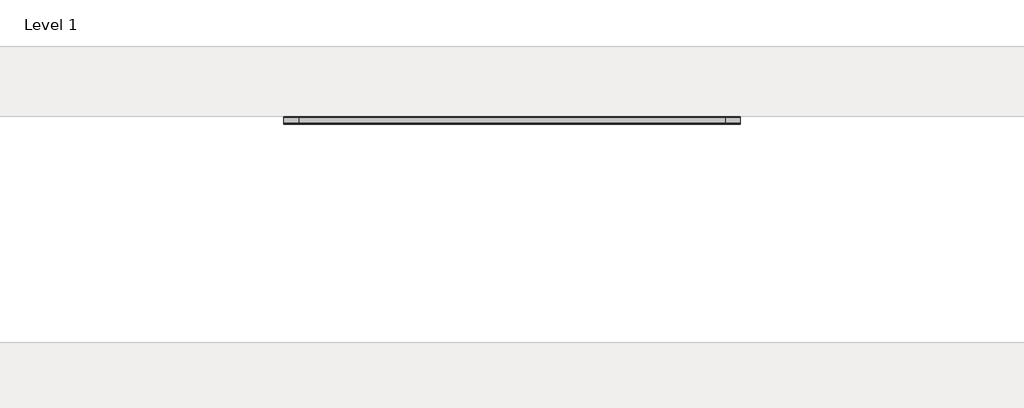
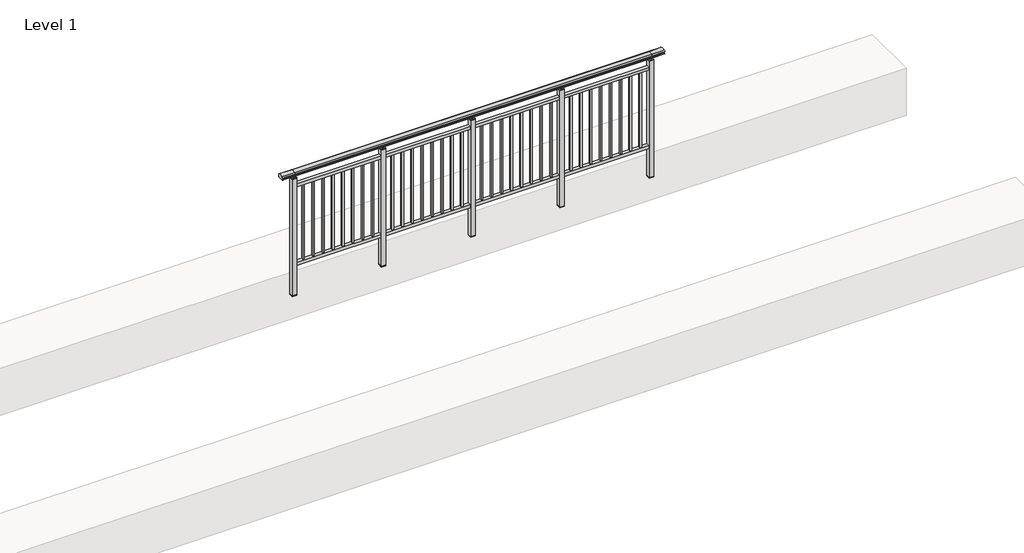
# One storey, part 21 of 64: 1 railing.
"""IFC4 building model written with IfcOpenShell, lengths in millimetres."""

from ifc_helpers import new_model, si_unit, frame, origin, place, context, project, spatial, polyline, circle_curve, outline, extrude, element, save
from ifc_brep_helpers import plane_surface, cylinder_surface, revolved_surface, advanced_brep

model = new_model("IFC4")

# Units and contexts
model_context = context("Model", 3, world=origin())
ifc_project = project(units=[si_unit("LENGTHUNIT", "METRE", prefix="MILLI")], contexts=[model_context])

# Site, building, storey
site = spatial("IfcSite", under=ifc_project)
building = spatial("IfcBuilding", under=site)
storey = spatial("IfcBuildingStorey", under=building, Name="Level 1", Elevation=0.0)

# Railing
placement = place(None, origin())
element("IfcRailing", 1, at=placement, inside=storey, context=model_context, shape_type="SolidModel", body=[
    advanced_brep(
    [(19372.5, 7392.8633756, 1095.6691182), (19372.5, 7397.6846828, 1081.1334092), (19372.5, 7396.7413744, 1069.2539035), (19372.5, 7398.6364177, 1061.4863007), (19372.5, 7396.9894799, 1060.384124), (19372.5, 7396.9894799, 1062.0), (19372.5, 7338.3798858, 1062.0), (19372.5, 7338.3798858, 1060.384124), (19372.5, 7336.732948, 1061.4863007), (19372.5, 7338.6279912, 1069.2539035), (19372.5, 7337.6846828, 1081.1334092), (19372.5, 7342.50599, 1095.6691182), (23227.5, 7392.8633756, 1095.6691182), (23227.5, 7342.50599, 1095.6691182), (23227.5, 7337.6846828, 1081.1334092), (23227.5, 7338.6279912, 1069.2539035), (23227.5, 7336.732948, 1061.4863007), (23227.5, 7338.3798858, 1060.384124), (23227.5, 7338.3798858, 1062.0), (23227.5, 7396.9894799, 1062.0), (23227.5, 7396.9894799, 1060.384124), (23227.5, 7398.6364177, 1061.4863007), (23227.5, 7396.7413744, 1069.2539035), (23227.5, 7397.6846828, 1081.1334092), (19500.0, 7392.8633756, 1095.6691182), (19500.0, 7397.6846828, 1081.1334092), (19500.0, 7396.7413744, 1069.2539035), (19500.0, 7398.6364177, 1061.4863007), (19500.0, 7396.9894799, 1060.384124), (19500.0, 7396.9894799, 1062.0), (19500.0, 7338.3798858, 1062.0), (19500.0, 7338.3798858, 1060.384124), (19500.0, 7336.732948, 1061.4863007), (19500.0, 7338.6279912, 1069.2539035), (19500.0, 7337.6846828, 1081.1334092), (19500.0, 7342.50599, 1095.6691182), (23100.0, 7392.8633756, 1095.6691182), (23100.0, 7397.6846828, 1081.1334092), (23100.0, 7396.7413744, 1069.2539035), (23100.0, 7398.6364177, 1061.4863007), (23100.0, 7396.9894799, 1060.384124), (23100.0, 7396.9894799, 1062.0), (23100.0, 7338.3798858, 1062.0), (23100.0, 7338.3798858, 1060.384124), (23100.0, 7336.732948, 1061.4863007), (23100.0, 7338.6279912, 1069.2539035), (23100.0, 7337.6846828, 1081.1334092), (23100.0, 7342.50599, 1095.6691182)],
    [
        (0, 1, circle_curve(frame((19372.5, 7389.6223845, 1086.526686), z_axis=(-1.0, 0.0, 0.0), x_axis=(0.0, -1.0, 0.0)), 9.6999015)),
        (1, 2, circle_curve(frame((19372.5, 7415.2252545, 1073.7633709), z_axis=(1.0, 0.0, 0.0), x_axis=(0.0, -1.0, 0.0)), 19.0260117)),
        (2, 3),
        (3, 4, circle_curve(frame((19372.5, 7397.7772073, 1060.9886194), z_axis=(-1.0, 0.0, 0.0), x_axis=(0.0, -1.0, 0.0)), 0.9929396)),
        (4, 5),
        (5, 6),
        (6, 7),
        (7, 8, circle_curve(frame((19372.5, 7337.5921584, 1060.9886194), z_axis=(-1.0, 0.0, 0.0), x_axis=(0.0, 1.0, 0.0)), 0.9929396)),
        (8, 9),
        (9, 10, circle_curve(frame((19372.5, 7320.1441111, 1073.7633709), z_axis=(1.0, 0.0, 0.0), x_axis=(0.0, 1.0, 0.0)), 19.0260117)),
        (10, 11, circle_curve(frame((19372.5, 7345.7469812, 1086.526686), z_axis=(-1.0, 0.0, 0.0), x_axis=(0.0, 1.0, 0.0)), 9.6999015)),
        (11, 0, circle_curve(frame((19372.5, 7367.6846828, 1024.6431628), z_axis=(-1.0, 0.0, 0.0), x_axis=(0.0, 1.0, 0.0)), 75.3568372)),
        (12, 13, circle_curve(frame((23227.5, 7367.6846828, 1024.6431628), z_axis=(1.0, 0.0, 0.0), x_axis=(0.0, 1.0, 0.0)), 75.3568372)),
        (13, 14, circle_curve(frame((23227.5, 7345.7469812, 1086.526686), z_axis=(1.0, 0.0, 0.0), x_axis=(0.0, 1.0, 0.0)), 9.6999015)),
        (14, 15, circle_curve(frame((23227.5, 7320.1441111, 1073.7633709), z_axis=(-1.0, 0.0, 0.0), x_axis=(0.0, 1.0, 0.0)), 19.0260117)),
        (15, 16),
        (16, 17, circle_curve(frame((23227.5, 7337.5921584, 1060.9886194), z_axis=(1.0, 0.0, 0.0), x_axis=(0.0, 1.0, 0.0)), 0.9929396)),
        (17, 18),
        (18, 19),
        (19, 20),
        (20, 21, circle_curve(frame((23227.5, 7397.7772073, 1060.9886194), z_axis=(1.0, 0.0, 0.0), x_axis=(0.0, -1.0, 0.0)), 0.9929396)),
        (21, 22),
        (22, 23, circle_curve(frame((23227.5, 7415.2252545, 1073.7633709), z_axis=(-1.0, 0.0, 0.0), x_axis=(0.0, -1.0, 0.0)), 19.0260117)),
        (23, 12, circle_curve(frame((23227.5, 7389.6223845, 1086.526686), z_axis=(1.0, 0.0, 0.0), x_axis=(0.0, -1.0, 0.0)), 9.6999015)),
        (0, 24),
        (24, 25, circle_curve(frame((19500.0, 7389.6223845, 1086.526686), z_axis=(-1.0, 0.0, 0.0), x_axis=(0.0, -1.0, 0.0)), 9.6999015)),
        (25, 1),
        (25, 26, circle_curve(frame((19500.0, 7415.2252545, 1073.7633709), z_axis=(1.0, 0.0, 0.0), x_axis=(0.0, -1.0, 0.0)), 19.0260117)),
        (26, 2),
        (26, 27),
        (27, 3),
        (27, 28, circle_curve(frame((19500.0, 7397.7772073, 1060.9886194), z_axis=(-1.0, 0.0, 0.0), x_axis=(0.0, -1.0, 0.0)), 0.9929396)),
        (28, 4),
        (28, 29),
        (29, 5),
        (29, 30),
        (30, 6),
        (30, 31),
        (31, 7),
        (31, 32, circle_curve(frame((19500.0, 7337.5921584, 1060.9886194), z_axis=(-1.0, 0.0, 0.0), x_axis=(0.0, 1.0, 0.0)), 0.9929396)),
        (32, 8),
        (32, 33),
        (33, 9),
        (33, 34, circle_curve(frame((19500.0, 7320.1441111, 1073.7633709), z_axis=(1.0, 0.0, 0.0), x_axis=(0.0, 1.0, 0.0)), 19.0260117)),
        (34, 10),
        (34, 35, circle_curve(frame((19500.0, 7345.7469812, 1086.526686), z_axis=(-1.0, 0.0, 0.0), x_axis=(0.0, 1.0, 0.0)), 9.6999015)),
        (35, 11),
        (35, 24, circle_curve(frame((19500.0, 7367.6846828, 1024.6431628), z_axis=(-1.0, 0.0, 0.0), x_axis=(0.0, 1.0, 0.0)), 75.3568372)),
        (24, 36),
        (36, 37, circle_curve(frame((23100.0, 7389.6223845, 1086.526686), z_axis=(-1.0, 0.0, 0.0), x_axis=(0.0, -1.0, 0.0)), 9.6999015)),
        (37, 25),
        (37, 38, circle_curve(frame((23100.0, 7415.2252545, 1073.7633709), z_axis=(1.0, 0.0, 0.0), x_axis=(0.0, -1.0, 0.0)), 19.0260117)),
        (38, 26),
        (38, 39),
        (39, 27),
        (39, 40, circle_curve(frame((23100.0, 7397.7772073, 1060.9886194), z_axis=(-1.0, 0.0, 0.0), x_axis=(0.0, -1.0, 0.0)), 0.9929396)),
        (40, 28),
        (40, 41),
        (41, 29),
        (41, 42),
        (42, 30),
        (42, 43),
        (43, 31),
        (43, 44, circle_curve(frame((23100.0, 7337.5921584, 1060.9886194), z_axis=(-1.0, 0.0, 0.0), x_axis=(0.0, 1.0, 0.0)), 0.9929396)),
        (44, 32),
        (44, 45),
        (45, 33),
        (45, 46, circle_curve(frame((23100.0, 7320.1441111, 1073.7633709), z_axis=(1.0, 0.0, 0.0), x_axis=(0.0, 1.0, 0.0)), 19.0260117)),
        (46, 34),
        (46, 47, circle_curve(frame((23100.0, 7345.7469812, 1086.526686), z_axis=(-1.0, 0.0, 0.0), x_axis=(0.0, 1.0, 0.0)), 9.6999015)),
        (47, 35),
        (47, 36, circle_curve(frame((23100.0, 7367.6846828, 1024.6431628), z_axis=(-1.0, 0.0, 0.0), x_axis=(0.0, 1.0, 0.0)), 75.3568372)),
        (36, 12),
        (23, 37),
        (22, 38),
        (21, 39),
        (20, 40),
        (19, 41),
        (18, 42),
        (17, 43),
        (16, 44),
        (15, 45),
        (14, 46),
        (13, 47),
    ],
    [
        plane_surface(frame((19372.5, 7367.6846828, 1100.0), z_axis=(-1.0, 0.0, 0.0), x_axis=(0.0, 1.0, 0.0))),
        plane_surface(frame((23227.5, 7367.6846828, 1100.0), z_axis=(1.0, 0.0, 0.0), x_axis=(0.0, 1.0, 0.0))),
        cylinder_surface(frame((19372.5, 7389.6223845, 1086.526686), z_axis=(-1.0, 0.0, 0.0), x_axis=(0.0, -1.0, 0.0)), 9.6999015),
        revolved_surface(polyline([(19500.0, 7396.1992428, 1073.7633709), (19372.5, 7396.1992428, 1073.7633709)]), (19372.5, 7415.2252545, 1073.7633709), (1.0, 0.0, 0.0)),
        plane_surface(frame((19372.5, 7396.7413744, 1069.2539035), z_axis=(0.0, 0.9715057689301543, 0.2370159086125439), x_axis=(1.0, 0.0, 0.0))),
        cylinder_surface(frame((19372.5, 7397.7772073, 1060.9886194), z_axis=(-1.0, 0.0, 0.0), x_axis=(0.0, -1.0, 0.0)), 0.9929396),
        plane_surface(frame((19372.5, 7396.9894799, 1060.384124), z_axis=(0.0, -1.0, 0.0), x_axis=(1.0, 0.0, 0.0))),
        plane_surface(frame((19372.5, 7396.9894799, 1062.0), z_axis=(0.0, 0.0, -1.0), x_axis=(1.0, 0.0, 0.0))),
        plane_surface(frame((19372.5, 7338.3798858, 1062.0), z_axis=(0.0, 1.0, 0.0), x_axis=(1.0, 0.0, 0.0))),
        cylinder_surface(frame((19372.5, 7337.5921584, 1060.9886194), z_axis=(-1.0, 0.0, 0.0), x_axis=(0.0, 1.0, 0.0)), 0.9929396),
        plane_surface(frame((19372.5, 7336.732948, 1061.4863007), z_axis=(0.0, -0.9715057689301543, 0.2370159086125439), x_axis=(1.0, 0.0, 0.0))),
        revolved_surface(polyline([(19500.0, 7339.1701228, 1073.7633709), (19372.5, 7339.1701228, 1073.7633709)]), (19372.5, 7320.1441111, 1073.7633709), (1.0, 0.0, 0.0)),
        cylinder_surface(frame((19372.5, 7345.7469812, 1086.526686), z_axis=(-1.0, 0.0, 0.0), x_axis=(0.0, 1.0, 0.0)), 9.6999015),
        cylinder_surface(frame((19372.5, 7367.6846828, 1024.6431628), z_axis=(-1.0, 0.0, 0.0), x_axis=(0.0, 1.0, 0.0)), 75.3568372),
        cylinder_surface(frame((19500.0, 7389.6223845, 1086.526686), z_axis=(-1.0, 0.0, 0.0), x_axis=(0.0, -1.0, 0.0)), 9.6999015),
        revolved_surface(polyline([(23100.0, 7396.1992428, 1073.7633709), (19500.0, 7396.1992428, 1073.7633709)]), (19500.0, 7415.2252545, 1073.7633709), (1.0, 0.0, 0.0)),
        plane_surface(frame((19500.0, 7396.7413744, 1069.2539035), z_axis=(0.0, 0.9715057689301543, 0.2370159086125439), x_axis=(1.0, 0.0, 0.0))),
        cylinder_surface(frame((19500.0, 7397.7772073, 1060.9886194), z_axis=(-1.0, 0.0, 0.0), x_axis=(0.0, -1.0, 0.0)), 0.9929396),
        plane_surface(frame((19500.0, 7396.9894799, 1060.384124), z_axis=(0.0, -1.0, 0.0), x_axis=(1.0, 0.0, 0.0))),
        plane_surface(frame((19500.0, 7396.9894799, 1062.0), z_axis=(0.0, 0.0, -1.0), x_axis=(1.0, 0.0, 0.0))),
        plane_surface(frame((19500.0, 7338.3798858, 1062.0), z_axis=(0.0, 1.0, 0.0), x_axis=(1.0, 0.0, 0.0))),
        cylinder_surface(frame((19500.0, 7337.5921584, 1060.9886194), z_axis=(-1.0, 0.0, 0.0), x_axis=(0.0, 1.0, 0.0)), 0.9929396),
        plane_surface(frame((19500.0, 7336.732948, 1061.4863007), z_axis=(0.0, -0.9715057689301543, 0.2370159086125439), x_axis=(1.0, 0.0, 0.0))),
        revolved_surface(polyline([(23100.0, 7339.1701228, 1073.7633709), (19500.0, 7339.1701228, 1073.7633709)]), (19500.0, 7320.1441111, 1073.7633709), (1.0, 0.0, 0.0)),
        cylinder_surface(frame((19500.0, 7345.7469812, 1086.526686), z_axis=(-1.0, 0.0, 0.0), x_axis=(0.0, 1.0, 0.0)), 9.6999015),
        cylinder_surface(frame((19500.0, 7367.6846828, 1024.6431628), z_axis=(-1.0, 0.0, 0.0), x_axis=(0.0, 1.0, 0.0)), 75.3568372),
        cylinder_surface(frame((23100.0, 7389.6223845, 1086.526686), z_axis=(-1.0, 0.0, 0.0), x_axis=(0.0, -1.0, 0.0)), 9.6999015),
        revolved_surface(polyline([(23227.5, 7396.1992428, 1073.7633709), (23100.0, 7396.1992428, 1073.7633709)]), (23100.0, 7415.2252545, 1073.7633709), (1.0, 0.0, 0.0)),
        plane_surface(frame((23100.0, 7396.7413744, 1069.2539035), z_axis=(0.0, 0.9715057689301543, 0.2370159086125439), x_axis=(1.0, 0.0, 0.0))),
        cylinder_surface(frame((23100.0, 7397.7772073, 1060.9886194), z_axis=(-1.0, 0.0, 0.0), x_axis=(0.0, -1.0, 0.0)), 0.9929396),
        plane_surface(frame((23100.0, 7396.9894799, 1060.384124), z_axis=(0.0, -1.0, 0.0), x_axis=(1.0, 0.0, 0.0))),
        plane_surface(frame((23100.0, 7396.9894799, 1062.0), z_axis=(0.0, 0.0, -1.0), x_axis=(1.0, 0.0, 0.0))),
        plane_surface(frame((23100.0, 7338.3798858, 1062.0), z_axis=(0.0, 1.0, 0.0), x_axis=(1.0, 0.0, 0.0))),
        cylinder_surface(frame((23100.0, 7337.5921584, 1060.9886194), z_axis=(-1.0, 0.0, 0.0), x_axis=(0.0, 1.0, 0.0)), 0.9929396),
        plane_surface(frame((23100.0, 7336.732948, 1061.4863007), z_axis=(0.0, -0.9715057689301543, 0.2370159086125439), x_axis=(1.0, 0.0, 0.0))),
        revolved_surface(polyline([(23227.5, 7339.1701228, 1073.7633709), (23100.0, 7339.1701228, 1073.7633709)]), (23100.0, 7320.1441111, 1073.7633709), (1.0, 0.0, 0.0)),
        cylinder_surface(frame((23100.0, 7345.7469812, 1086.526686), z_axis=(-1.0, 0.0, 0.0), x_axis=(0.0, 1.0, 0.0)), 9.6999015),
        cylinder_surface(frame((23100.0, 7367.6846828, 1024.6431628), z_axis=(-1.0, 0.0, 0.0), x_axis=(0.0, 1.0, 0.0)), 75.3568372),
    ],
    [
        (0, [[1, 2, 3, 4, 5, 6, 7, 8, 9, 10, 11, 12]]),
        (1, [[13, 14, 15, 16, 17, 18, 19, 20, 21, 22, 23, 24]]),
        (2, [[-1, 25, 26, 27]]),
        (3, [[-2, -27, 28, 29]]),
        (4, [[-3, -29, 30, 31]]),
        (5, [[-4, -31, 32, 33]]),
        (6, [[-5, -33, 34, 35]]),
        (7, [[-6, -35, 36, 37]]),
        (8, [[-7, -37, 38, 39]]),
        (9, [[-8, -39, 40, 41]]),
        (10, [[-9, -41, 42, 43]]),
        (11, [[-10, -43, 44, 45]]),
        (12, [[-11, -45, 46, 47]]),
        (13, [[-12, -47, 48, -25]]),
        (14, [[-26, 49, 50, 51]]),
        (15, [[-28, -51, 52, 53]]),
        (16, [[-30, -53, 54, 55]]),
        (17, [[-32, -55, 56, 57]]),
        (18, [[-34, -57, 58, 59]]),
        (19, [[-36, -59, 60, 61]]),
        (20, [[-38, -61, 62, 63]]),
        (21, [[-40, -63, 64, 65]]),
        (22, [[-42, -65, 66, 67]]),
        (23, [[-44, -67, 68, 69]]),
        (24, [[-46, -69, 70, 71]]),
        (25, [[-48, -71, 72, -49]]),
        (26, [[-50, 73, -24, 74]]),
        (27, [[-52, -74, -23, 75]]),
        (28, [[-54, -75, -22, 76]]),
        (29, [[-56, -76, -21, 77]]),
        (30, [[-58, -77, -20, 78]]),
        (31, [[-60, -78, -19, 79]]),
        (32, [[-62, -79, -18, 80]]),
        (33, [[-64, -80, -17, 81]]),
        (34, [[-66, -81, -16, 82]]),
        (35, [[-68, -82, -15, 83]]),
        (36, [[-70, -83, -14, 84]]),
        (37, [[-72, -84, -13, -73]]),
    ],
),
    extrude(outline(polyline([(19500.0, 7350.1846828), (19500.0, 7385.1846828), (23100.0, 7385.1846828), (23100.0, 7350.1846828), (19500.0, 7350.1846828)])), frame((0.0, 0.0, 930.0), z_axis=(0.0, 0.0, 1.0), x_axis=(1.0, 0.0, 0.0)), (0.0, 0.0, 1.0), 30.0),
    extrude(outline(polyline([(19500.0, 7350.1846828), (19500.0, 7385.1846828), (23100.0, 7385.1846828), (23100.0, 7350.1846828), (19500.0, 7350.1846828)])), frame((0.0, 0.0, 95.0), z_axis=(0.0, 0.0, 1.0), x_axis=(1.0, 0.0, 0.0)), (0.0, 0.0, 1.0), 30.0),
    extrude(outline(polyline([(23008.5, 7359.1846828), (22991.5, 7359.1846828), (22991.5, 7376.1846828), (23008.5, 7376.1846828), (23008.5, 7359.1846828)])), frame((0.0, 0.0, 125.0), z_axis=(0.0, 0.0, 1.0), x_axis=(1.0, 0.0, 0.0)), (0.0, 0.0, 1.0), 805.0),
    extrude(outline(polyline([(22908.5, 7359.1846828), (22891.5, 7359.1846828), (22891.5, 7376.1846828), (22908.5, 7376.1846828), (22908.5, 7359.1846828)])), frame((0.0, 0.0, 125.0), z_axis=(0.0, 0.0, 1.0), x_axis=(1.0, 0.0, 0.0)), (0.0, 0.0, 1.0), 805.0),
    extrude(outline(polyline([(22808.5, 7359.1846828), (22791.5, 7359.1846828), (22791.5, 7376.1846828), (22808.5, 7376.1846828), (22808.5, 7359.1846828)])), frame((0.0, 0.0, 125.0), z_axis=(0.0, 0.0, 1.0), x_axis=(1.0, 0.0, 0.0)), (0.0, 0.0, 1.0), 805.0),
    extrude(outline(polyline([(22708.5, 7359.1846828), (22691.5, 7359.1846828), (22691.5, 7376.1846828), (22708.5, 7376.1846828), (22708.5, 7359.1846828)])), frame((0.0, 0.0, 125.0), z_axis=(0.0, 0.0, 1.0), x_axis=(1.0, 0.0, 0.0)), (0.0, 0.0, 1.0), 805.0),
    extrude(outline(polyline([(22608.5, 7359.1846828), (22591.5, 7359.1846828), (22591.5, 7376.1846828), (22608.5, 7376.1846828), (22608.5, 7359.1846828)])), frame((0.0, 0.0, 125.0), z_axis=(0.0, 0.0, 1.0), x_axis=(1.0, 0.0, 0.0)), (0.0, 0.0, 1.0), 805.0),
    extrude(outline(polyline([(22508.5, 7359.1846828), (22491.5, 7359.1846828), (22491.5, 7376.1846828), (22508.5, 7376.1846828), (22508.5, 7359.1846828)])), frame((0.0, 0.0, 125.0), z_axis=(0.0, 0.0, 1.0), x_axis=(1.0, 0.0, 0.0)), (0.0, 0.0, 1.0), 805.0),
    extrude(outline(polyline([(22408.5, 7359.1846828), (22391.5, 7359.1846828), (22391.5, 7376.1846828), (22408.5, 7376.1846828), (22408.5, 7359.1846828)])), frame((0.0, 0.0, 125.0), z_axis=(0.0, 0.0, 1.0), x_axis=(1.0, 0.0, 0.0)), (0.0, 0.0, 1.0), 805.0),
    extrude(outline(polyline([(22308.5, 7359.1846828), (22291.5, 7359.1846828), (22291.5, 7376.1846828), (22308.5, 7376.1846828), (22308.5, 7359.1846828)])), frame((0.0, 0.0, 125.0), z_axis=(0.0, 0.0, 1.0), x_axis=(1.0, 0.0, 0.0)), (0.0, 0.0, 1.0), 805.0),
    extrude(outline(polyline([(22222.5, 7390.1846828), (22222.5, 7345.1846828), (22177.5, 7345.1846828), (22177.5, 7390.1846828), (22222.5, 7390.1846828)])), frame((0.0, 0.0, 1027.0), z_axis=(0.0, 0.0, 1.0), x_axis=(1.0, 0.0, 0.0)), (0.0, 0.0, 1.0), 8.0),
    extrude(outline(polyline([(22222.5, 7390.1846828), (22222.5, 7345.1846828), (22177.5, 7345.1846828), (22177.5, 7390.1846828), (22222.5, 7390.1846828)])), frame((0.0, 0.0, -212.0), z_axis=(0.0, 0.0, 1.0), x_axis=(1.0, 0.0, 0.0)), (0.0, 0.0, 1.0), 1239.0),
    extrude(outline(polyline([(22210.0, 7377.6846828), (22210.0, 7357.6846828), (22190.0, 7357.6846828), (22190.0, 7377.6846828), (22210.0, 7377.6846828)])), frame((0.0, 0.0, 1035.0), z_axis=(0.0, 0.0, 1.0), x_axis=(1.0, 0.0, 0.0)), (0.0, 0.0, 1.0), 20.0),
    extrude(outline(polyline([(22222.5, 7390.1846828), (22222.5, 7345.1846828), (22177.5, 7345.1846828), (22177.5, 7390.1846828), (22222.5, 7390.1846828)])), frame((0.0, 0.0, -220.0), z_axis=(0.0, 0.0, 1.0), x_axis=(1.0, 0.0, 0.0)), (0.0, 0.0, 1.0), 8.0),
    extrude(outline(polyline([(22108.5, 7359.1846828), (22091.5, 7359.1846828), (22091.5, 7376.1846828), (22108.5, 7376.1846828), (22108.5, 7359.1846828)])), frame((0.0, 0.0, 125.0), z_axis=(0.0, 0.0, 1.0), x_axis=(1.0, 0.0, 0.0)), (0.0, 0.0, 1.0), 805.0),
    extrude(outline(polyline([(22008.5, 7359.1846828), (21991.5, 7359.1846828), (21991.5, 7376.1846828), (22008.5, 7376.1846828), (22008.5, 7359.1846828)])), frame((0.0, 0.0, 125.0), z_axis=(0.0, 0.0, 1.0), x_axis=(1.0, 0.0, 0.0)), (0.0, 0.0, 1.0), 805.0),
    extrude(outline(polyline([(21908.5, 7359.1846828), (21891.5, 7359.1846828), (21891.5, 7376.1846828), (21908.5, 7376.1846828), (21908.5, 7359.1846828)])), frame((0.0, 0.0, 125.0), z_axis=(0.0, 0.0, 1.0), x_axis=(1.0, 0.0, 0.0)), (0.0, 0.0, 1.0), 805.0),
    extrude(outline(polyline([(21808.5, 7359.1846828), (21791.5, 7359.1846828), (21791.5, 7376.1846828), (21808.5, 7376.1846828), (21808.5, 7359.1846828)])), frame((0.0, 0.0, 125.0), z_axis=(0.0, 0.0, 1.0), x_axis=(1.0, 0.0, 0.0)), (0.0, 0.0, 1.0), 805.0),
    extrude(outline(polyline([(21708.5, 7359.1846828), (21691.5, 7359.1846828), (21691.5, 7376.1846828), (21708.5, 7376.1846828), (21708.5, 7359.1846828)])), frame((0.0, 0.0, 125.0), z_axis=(0.0, 0.0, 1.0), x_axis=(1.0, 0.0, 0.0)), (0.0, 0.0, 1.0), 805.0),
    extrude(outline(polyline([(21608.5, 7359.1846828), (21591.5, 7359.1846828), (21591.5, 7376.1846828), (21608.5, 7376.1846828), (21608.5, 7359.1846828)])), frame((0.0, 0.0, 125.0), z_axis=(0.0, 0.0, 1.0), x_axis=(1.0, 0.0, 0.0)), (0.0, 0.0, 1.0), 805.0),
    extrude(outline(polyline([(21508.5, 7359.1846828), (21491.5, 7359.1846828), (21491.5, 7376.1846828), (21508.5, 7376.1846828), (21508.5, 7359.1846828)])), frame((0.0, 0.0, 125.0), z_axis=(0.0, 0.0, 1.0), x_axis=(1.0, 0.0, 0.0)), (0.0, 0.0, 1.0), 805.0),
    extrude(outline(polyline([(21408.5, 7359.1846828), (21391.5, 7359.1846828), (21391.5, 7376.1846828), (21408.5, 7376.1846828), (21408.5, 7359.1846828)])), frame((0.0, 0.0, 125.0), z_axis=(0.0, 0.0, 1.0), x_axis=(1.0, 0.0, 0.0)), (0.0, 0.0, 1.0), 805.0),
    extrude(outline(polyline([(21322.5, 7390.1846828), (21322.5, 7345.1846828), (21277.5, 7345.1846828), (21277.5, 7390.1846828), (21322.5, 7390.1846828)])), frame((0.0, 0.0, 1027.0), z_axis=(0.0, 0.0, 1.0), x_axis=(1.0, 0.0, 0.0)), (0.0, 0.0, 1.0), 8.0),
    extrude(outline(polyline([(21322.5, 7390.1846828), (21322.5, 7345.1846828), (21277.5, 7345.1846828), (21277.5, 7390.1846828), (21322.5, 7390.1846828)])), frame((0.0, 0.0, -212.0), z_axis=(0.0, 0.0, 1.0), x_axis=(1.0, 0.0, 0.0)), (0.0, 0.0, 1.0), 1239.0),
    extrude(outline(polyline([(21310.0, 7377.6846828), (21310.0, 7357.6846828), (21290.0, 7357.6846828), (21290.0, 7377.6846828), (21310.0, 7377.6846828)])), frame((0.0, 0.0, 1035.0), z_axis=(0.0, 0.0, 1.0), x_axis=(1.0, 0.0, 0.0)), (0.0, 0.0, 1.0), 20.0),
    extrude(outline(polyline([(21322.5, 7390.1846828), (21322.5, 7345.1846828), (21277.5, 7345.1846828), (21277.5, 7390.1846828), (21322.5, 7390.1846828)])), frame((0.0, 0.0, -220.0), z_axis=(0.0, 0.0, 1.0), x_axis=(1.0, 0.0, 0.0)), (0.0, 0.0, 1.0), 8.0),
    extrude(outline(polyline([(21208.5, 7359.1846828), (21191.5, 7359.1846828), (21191.5, 7376.1846828), (21208.5, 7376.1846828), (21208.5, 7359.1846828)])), frame((0.0, 0.0, 125.0), z_axis=(0.0, 0.0, 1.0), x_axis=(1.0, 0.0, 0.0)), (0.0, 0.0, 1.0), 805.0),
    extrude(outline(polyline([(21108.5, 7359.1846828), (21091.5, 7359.1846828), (21091.5, 7376.1846828), (21108.5, 7376.1846828), (21108.5, 7359.1846828)])), frame((0.0, 0.0, 125.0), z_axis=(0.0, 0.0, 1.0), x_axis=(1.0, 0.0, 0.0)), (0.0, 0.0, 1.0), 805.0),
    extrude(outline(polyline([(21008.5, 7359.1846828), (20991.5, 7359.1846828), (20991.5, 7376.1846828), (21008.5, 7376.1846828), (21008.5, 7359.1846828)])), frame((0.0, 0.0, 125.0), z_axis=(0.0, 0.0, 1.0), x_axis=(1.0, 0.0, 0.0)), (0.0, 0.0, 1.0), 805.0),
    extrude(outline(polyline([(20908.5, 7359.1846828), (20891.5, 7359.1846828), (20891.5, 7376.1846828), (20908.5, 7376.1846828), (20908.5, 7359.1846828)])), frame((0.0, 0.0, 125.0), z_axis=(0.0, 0.0, 1.0), x_axis=(1.0, 0.0, 0.0)), (0.0, 0.0, 1.0), 805.0),
    extrude(outline(polyline([(20808.5, 7359.1846828), (20791.5, 7359.1846828), (20791.5, 7376.1846828), (20808.5, 7376.1846828), (20808.5, 7359.1846828)])), frame((0.0, 0.0, 125.0), z_axis=(0.0, 0.0, 1.0), x_axis=(1.0, 0.0, 0.0)), (0.0, 0.0, 1.0), 805.0),
    extrude(outline(polyline([(20708.5, 7359.1846828), (20691.5, 7359.1846828), (20691.5, 7376.1846828), (20708.5, 7376.1846828), (20708.5, 7359.1846828)])), frame((0.0, 0.0, 125.0), z_axis=(0.0, 0.0, 1.0), x_axis=(1.0, 0.0, 0.0)), (0.0, 0.0, 1.0), 805.0),
    extrude(outline(polyline([(20608.5, 7359.1846828), (20591.5, 7359.1846828), (20591.5, 7376.1846828), (20608.5, 7376.1846828), (20608.5, 7359.1846828)])), frame((0.0, 0.0, 125.0), z_axis=(0.0, 0.0, 1.0), x_axis=(1.0, 0.0, 0.0)), (0.0, 0.0, 1.0), 805.0),
    extrude(outline(polyline([(20508.5, 7359.1846828), (20491.5, 7359.1846828), (20491.5, 7376.1846828), (20508.5, 7376.1846828), (20508.5, 7359.1846828)])), frame((0.0, 0.0, 125.0), z_axis=(0.0, 0.0, 1.0), x_axis=(1.0, 0.0, 0.0)), (0.0, 0.0, 1.0), 805.0),
    extrude(outline(polyline([(20422.5, 7390.1846828), (20422.5, 7345.1846828), (20377.5, 7345.1846828), (20377.5, 7390.1846828), (20422.5, 7390.1846828)])), frame((0.0, 0.0, 1027.0), z_axis=(0.0, 0.0, 1.0), x_axis=(1.0, 0.0, 0.0)), (0.0, 0.0, 1.0), 8.0),
    extrude(outline(polyline([(20422.5, 7390.1846828), (20422.5, 7345.1846828), (20377.5, 7345.1846828), (20377.5, 7390.1846828), (20422.5, 7390.1846828)])), frame((0.0, 0.0, -212.0), z_axis=(0.0, 0.0, 1.0), x_axis=(1.0, 0.0, 0.0)), (0.0, 0.0, 1.0), 1239.0),
    extrude(outline(polyline([(20410.0, 7377.6846828), (20410.0, 7357.6846828), (20390.0, 7357.6846828), (20390.0, 7377.6846828), (20410.0, 7377.6846828)])), frame((0.0, 0.0, 1035.0), z_axis=(0.0, 0.0, 1.0), x_axis=(1.0, 0.0, 0.0)), (0.0, 0.0, 1.0), 20.0),
    extrude(outline(polyline([(20422.5, 7390.1846828), (20422.5, 7345.1846828), (20377.5, 7345.1846828), (20377.5, 7390.1846828), (20422.5, 7390.1846828)])), frame((0.0, 0.0, -220.0), z_axis=(0.0, 0.0, 1.0), x_axis=(1.0, 0.0, 0.0)), (0.0, 0.0, 1.0), 8.0),
    extrude(outline(polyline([(20308.5, 7359.1846828), (20291.5, 7359.1846828), (20291.5, 7376.1846828), (20308.5, 7376.1846828), (20308.5, 7359.1846828)])), frame((0.0, 0.0, 125.0), z_axis=(0.0, 0.0, 1.0), x_axis=(1.0, 0.0, 0.0)), (0.0, 0.0, 1.0), 805.0),
    extrude(outline(polyline([(20208.5, 7359.1846828), (20191.5, 7359.1846828), (20191.5, 7376.1846828), (20208.5, 7376.1846828), (20208.5, 7359.1846828)])), frame((0.0, 0.0, 125.0), z_axis=(0.0, 0.0, 1.0), x_axis=(1.0, 0.0, 0.0)), (0.0, 0.0, 1.0), 805.0),
    extrude(outline(polyline([(20108.5, 7359.1846828), (20091.5, 7359.1846828), (20091.5, 7376.1846828), (20108.5, 7376.1846828), (20108.5, 7359.1846828)])), frame((0.0, 0.0, 125.0), z_axis=(0.0, 0.0, 1.0), x_axis=(1.0, 0.0, 0.0)), (0.0, 0.0, 1.0), 805.0),
    extrude(outline(polyline([(20008.5, 7359.1846828), (19991.5, 7359.1846828), (19991.5, 7376.1846828), (20008.5, 7376.1846828), (20008.5, 7359.1846828)])), frame((0.0, 0.0, 125.0), z_axis=(0.0, 0.0, 1.0), x_axis=(1.0, 0.0, 0.0)), (0.0, 0.0, 1.0), 805.0),
    extrude(outline(polyline([(19908.5, 7359.1846828), (19891.5, 7359.1846828), (19891.5, 7376.1846828), (19908.5, 7376.1846828), (19908.5, 7359.1846828)])), frame((0.0, 0.0, 125.0), z_axis=(0.0, 0.0, 1.0), x_axis=(1.0, 0.0, 0.0)), (0.0, 0.0, 1.0), 805.0),
    extrude(outline(polyline([(19808.5, 7359.1846828), (19791.5, 7359.1846828), (19791.5, 7376.1846828), (19808.5, 7376.1846828), (19808.5, 7359.1846828)])), frame((0.0, 0.0, 125.0), z_axis=(0.0, 0.0, 1.0), x_axis=(1.0, 0.0, 0.0)), (0.0, 0.0, 1.0), 805.0),
    extrude(outline(polyline([(19708.5, 7359.1846828), (19691.5, 7359.1846828), (19691.5, 7376.1846828), (19708.5, 7376.1846828), (19708.5, 7359.1846828)])), frame((0.0, 0.0, 125.0), z_axis=(0.0, 0.0, 1.0), x_axis=(1.0, 0.0, 0.0)), (0.0, 0.0, 1.0), 805.0),
    extrude(outline(polyline([(19608.5, 7359.1846828), (19591.5, 7359.1846828), (19591.5, 7376.1846828), (19608.5, 7376.1846828), (19608.5, 7359.1846828)])), frame((0.0, 0.0, 125.0), z_axis=(0.0, 0.0, 1.0), x_axis=(1.0, 0.0, 0.0)), (0.0, 0.0, 1.0), 805.0),
    extrude(outline(polyline([(23122.5, 7390.1846828), (23122.5, 7345.1846828), (23077.5, 7345.1846828), (23077.5, 7390.1846828), (23122.5, 7390.1846828)])), frame((0.0, 0.0, 1027.0), z_axis=(0.0, 0.0, 1.0), x_axis=(1.0, 0.0, 0.0)), (0.0, 0.0, 1.0), 8.0),
    extrude(outline(polyline([(23122.5, 7390.1846828), (23122.5, 7345.1846828), (23077.5, 7345.1846828), (23077.5, 7390.1846828), (23122.5, 7390.1846828)])), frame((0.0, 0.0, -212.0), z_axis=(0.0, 0.0, 1.0), x_axis=(1.0, 0.0, 0.0)), (0.0, 0.0, 1.0), 1239.0),
    extrude(outline(polyline([(23110.0, 7377.6846828), (23110.0, 7357.6846828), (23090.0, 7357.6846828), (23090.0, 7377.6846828), (23110.0, 7377.6846828)])), frame((0.0, 0.0, 1035.0), z_axis=(0.0, 0.0, 1.0), x_axis=(1.0, 0.0, 0.0)), (0.0, 0.0, 1.0), 20.0),
    extrude(outline(polyline([(23122.5, 7390.1846828), (23122.5, 7345.1846828), (23077.5, 7345.1846828), (23077.5, 7390.1846828), (23122.5, 7390.1846828)])), frame((0.0, 0.0, -220.0), z_axis=(0.0, 0.0, 1.0), x_axis=(1.0, 0.0, 0.0)), (0.0, 0.0, 1.0), 8.0),
    extrude(outline(polyline([(19522.5, 7390.1846828), (19522.5, 7345.1846828), (19477.5, 7345.1846828), (19477.5, 7390.1846828), (19522.5, 7390.1846828)])), frame((0.0, 0.0, 1027.0), z_axis=(0.0, 0.0, 1.0), x_axis=(1.0, 0.0, 0.0)), (0.0, 0.0, 1.0), 8.0),
    extrude(outline(polyline([(19522.5, 7390.1846828), (19522.5, 7345.1846828), (19477.5, 7345.1846828), (19477.5, 7390.1846828), (19522.5, 7390.1846828)])), frame((0.0, 0.0, -212.0), z_axis=(0.0, 0.0, 1.0), x_axis=(1.0, 0.0, 0.0)), (0.0, 0.0, 1.0), 1239.0),
    extrude(outline(polyline([(19510.0, 7377.6846828), (19510.0, 7357.6846828), (19490.0, 7357.6846828), (19490.0, 7377.6846828), (19510.0, 7377.6846828)])), frame((0.0, 0.0, 1035.0), z_axis=(0.0, 0.0, 1.0), x_axis=(1.0, 0.0, 0.0)), (0.0, 0.0, 1.0), 20.0),
    extrude(outline(polyline([(19522.5, 7390.1846828), (19522.5, 7345.1846828), (19477.5, 7345.1846828), (19477.5, 7390.1846828), (19522.5, 7390.1846828)])), frame((0.0, 0.0, -220.0), z_axis=(0.0, 0.0, 1.0), x_axis=(1.0, 0.0, 0.0)), (0.0, 0.0, 1.0), 8.0),
])

save(model, "model.ifc")
